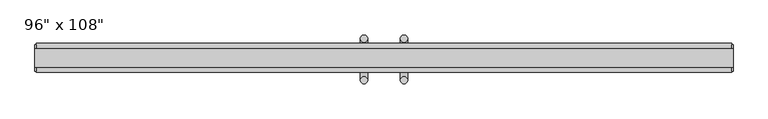
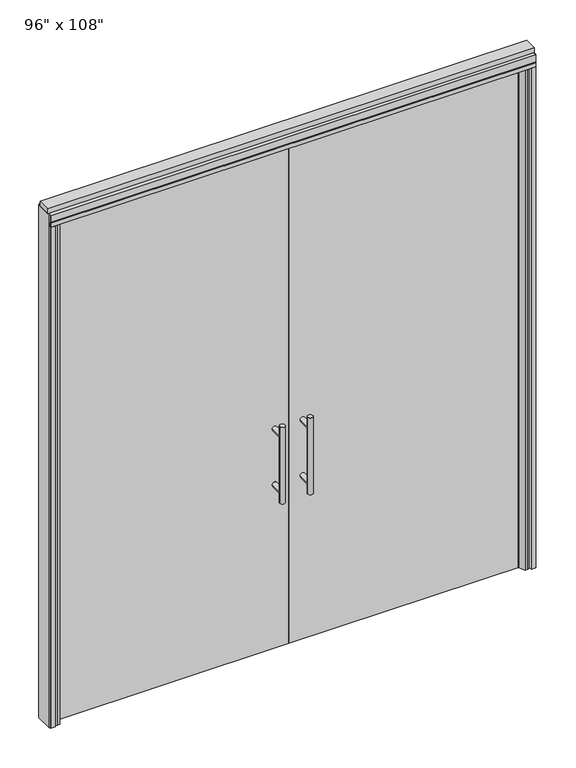
"""IFC4 building model written with IfcOpenShell, lengths in millimetres: furniture geometry."""

from ifc_helpers import new_model, si_unit, point, frame, frame_2d, origin, origin_with_axes, place, context, project, spatial, polyline, circle_curve, ellipse_curve, trimmed, segment, composite_curve, outline, extrude, source, transform, mapped, element, save
from ifc_brep_helpers import plane_surface, cylinder_surface, advanced_brep


def furniture_ca6ac8f1(model_context):
    return source(origin(), model_context, "Body", "SolidModel", [
        extrude(outline(polyline([(-1253.0745229, -14.6777216), (-1253.0745229, -4.5177216), (-60.0365229, -4.5177216), (-60.0365229, -14.6777216), (-1253.0745229, -14.6777216)])), origin_with_axes(), (0.0, 0.0, 1.0), 2654.3),
        advanced_brep(
        [(-117.3135229, 63.0462784, 1219.2), (-142.7135229, 63.0462784, 1219.2), (-117.3135229, 63.0462784, 812.8), (-142.7135229, 63.0462784, 812.8), (-117.3135229, 63.0462784, 1164.336), (-117.3135229, 63.0462784, 867.664), (-142.7135229, 63.0462784, 867.664), (-142.7135229, 63.0462784, 1164.336), (-117.3135229, -4.5177216, 1164.336), (-142.7135229, -4.5177216, 1164.336), (-117.3135229, -4.5177216, 867.664), (-142.7135229, -4.5177216, 867.664)],
        [
            (0, 1, circle_curve(frame((-130.0135229, 63.0462784, 1219.2), z_axis=(0.0, 0.0, 1.0), x_axis=(-1.0, 0.0, 0.0)), 12.7)),
            (1, 0, circle_curve(frame((-130.0135229, 63.0462784, 1219.2), z_axis=(0.0, 0.0, 1.0), x_axis=(-1.0, 0.0, 0.0)), 12.7)),
            (2, 3, circle_curve(frame((-130.0135229, 63.0462784, 812.8), z_axis=(0.0, 0.0, -1.0), x_axis=(-1.0, 0.0, 0.0)), 12.7)),
            (3, 2, circle_curve(frame((-130.0135229, 63.0462784, 812.8), z_axis=(0.0, 0.0, -1.0), x_axis=(-1.0, 0.0, 0.0)), 12.7)),
            (0, 4),
            (4, 5),
            (5, 2),
            (3, 6),
            (6, 7),
            (7, 1),
            (7, 4, ellipse_curve(frame((-130.0135229, 63.0462784, 1164.336), z_axis=(0.0, 0.707106781186565, 0.70710678118653), x_axis=(0.0, -0.70710678118653, 0.707106781186565)), 17.9605122, 12.7)),
            (5, 6, ellipse_curve(frame((-130.0135229, 63.0462784, 867.664), z_axis=(0.0, 0.70710678118653, -0.7071067811865649), x_axis=(0.0, 0.7071067811865648, 0.7071067811865301)), 17.9605122, 12.7)),
            (4, 7, ellipse_curve(frame((-130.0135229, 63.0462784, 1164.336), z_axis=(0.0, 0.70710678118653, -0.7071067811865649), x_axis=(0.0, 0.7071067811865648, 0.7071067811865301)), 17.9605122, 12.7)),
            (6, 5, ellipse_curve(frame((-130.0135229, 63.0462784, 867.664), z_axis=(0.0, 0.707106781186565, 0.70710678118653), x_axis=(0.0, -0.70710678118653, 0.707106781186565)), 17.9605122, 12.7)),
            (8, 9, circle_curve(frame((-130.0135229, -4.5177216, 1164.336), z_axis=(0.0, -1.0, 0.0), x_axis=(-1.0, 0.0, 0.0)), 12.7)),
            (9, 8, circle_curve(frame((-130.0135229, -4.5177216, 1164.336), z_axis=(0.0, -1.0, 0.0), x_axis=(-1.0, 0.0, 0.0)), 12.7)),
            (9, 7),
            (4, 8),
            (10, 11, circle_curve(frame((-130.0135229, -4.5177216, 867.664), z_axis=(0.0, -1.0, 0.0), x_axis=(-1.0, 0.0, 0.0)), 12.7)),
            (11, 10, circle_curve(frame((-130.0135229, -4.5177216, 867.664), z_axis=(0.0, -1.0, 0.0), x_axis=(-1.0, 0.0, 0.0)), 12.7)),
            (11, 6),
            (5, 10),
        ],
        [
            plane_surface(frame((-142.7135229, 63.0462784, 1219.2), z_axis=(0.0, 0.0, 1.0), x_axis=(0.0, -1.0, 0.0))),
            plane_surface(frame((-142.7135229, 63.0462784, 812.8), z_axis=(0.0, 0.0, -1.0), x_axis=(0.0, 1.0, 0.0))),
            cylinder_surface(frame((-130.0135229, 63.0462784, 812.8), z_axis=(0.0, 0.0, 1.0), x_axis=(-1.0, 0.0, 0.0)), 12.7),
            plane_surface(frame((-142.7135229, -4.5177216, 1164.336), z_axis=(0.0, -1.0, 0.0), x_axis=(0.0, 0.0, -1.0))),
            cylinder_surface(frame((-130.0135229, -4.5177216, 1164.336), z_axis=(0.0, 1.0, 0.0), x_axis=(-1.0, 0.0, 0.0)), 12.7),
            plane_surface(frame((-142.7135229, -4.5177216, 867.664), z_axis=(0.0, -1.0, 0.0), x_axis=(0.0, 0.0, -1.0))),
            cylinder_surface(frame((-130.0135229, -4.5177216, 867.664), z_axis=(0.0, 1.0, 0.0), x_axis=(-1.0, 0.0, 0.0)), 12.7),
        ],
        [
            (0, [[1, 2]]),
            (1, [[3, 4]]),
            (2, [[-1, 5, 6, 7, -4, 8, 9, 10]]),
            (2, [[-2, -10, 11, -5]]),
            (2, [[-3, -7, 12, -8]]),
            (2, [[13, -9, 14, -6]]),
            (3, [[15, 16]]),
            (4, [[-16, 17, -13, 18]]),
            (4, [[-15, -18, -11, -17]]),
            (5, [[19, 20]]),
            (6, [[-20, 21, -12, 22]]),
            (6, [[-19, -22, -14, -21]]),
        ],
    ),
        advanced_brep(
        [(-117.3135229, -82.2417216, 1219.2), (-142.7135229, -82.2417216, 1219.2), (-117.3135229, -82.2417216, 812.8), (-142.7135229, -82.2417216, 812.8), (-142.7135229, -82.2417216, 1164.336), (-142.7135229, -82.2417216, 867.664), (-117.3135229, -82.2417216, 867.664), (-117.3135229, -82.2417216, 1164.336), (-117.3135229, -14.6777216, 1164.336), (-142.7135229, -14.6777216, 1164.336), (-117.3135229, -14.6777216, 867.664), (-142.7135229, -14.6777216, 867.664)],
        [
            (0, 1, circle_curve(frame((-130.0135229, -82.2417216, 1219.2), z_axis=(0.0, 0.0, 1.0), x_axis=(-1.0, 0.0, 0.0)), 12.7)),
            (1, 0, circle_curve(frame((-130.0135229, -82.2417216, 1219.2), z_axis=(0.0, 0.0, 1.0), x_axis=(-1.0, 0.0, 0.0)), 12.7)),
            (2, 3, circle_curve(frame((-130.0135229, -82.2417216, 812.8), z_axis=(0.0, 0.0, -1.0), x_axis=(-1.0, 0.0, 0.0)), 12.7)),
            (3, 2, circle_curve(frame((-130.0135229, -82.2417216, 812.8), z_axis=(0.0, 0.0, -1.0), x_axis=(-1.0, 0.0, 0.0)), 12.7)),
            (1, 4),
            (4, 5),
            (5, 3),
            (2, 6),
            (6, 7),
            (7, 0),
            (6, 5, ellipse_curve(frame((-130.0135229, -82.2417216, 867.664), z_axis=(0.0, -0.707106781186565, 0.70710678118653), x_axis=(0.0, 0.70710678118653, 0.707106781186565)), 17.9605122, 12.7)),
            (4, 7, ellipse_curve(frame((-130.0135229, -82.2417216, 1164.336), z_axis=(0.0, -0.70710678118653, -0.7071067811865649), x_axis=(0.0, -0.7071067811865648, 0.7071067811865301)), 17.9605122, 12.7)),
            (7, 4, ellipse_curve(frame((-130.0135229, -82.2417216, 1164.336), z_axis=(0.0, -0.707106781186565, 0.70710678118653), x_axis=(0.0, 0.70710678118653, 0.707106781186565)), 17.9605122, 12.7)),
            (5, 6, ellipse_curve(frame((-130.0135229, -82.2417216, 867.664), z_axis=(0.0, -0.70710678118653, -0.7071067811865649), x_axis=(0.0, -0.7071067811865648, 0.7071067811865301)), 17.9605122, 12.7)),
            (8, 9, circle_curve(frame((-130.0135229, -14.6777216, 1164.336), z_axis=(0.0, 1.0, 0.0), x_axis=(-1.0, 0.0, 0.0)), 12.7)),
            (9, 8, circle_curve(frame((-130.0135229, -14.6777216, 1164.336), z_axis=(0.0, 1.0, 0.0), x_axis=(-1.0, 0.0, 0.0)), 12.7)),
            (8, 7),
            (4, 9),
            (10, 11, circle_curve(frame((-130.0135229, -14.6777216, 867.664), z_axis=(0.0, 1.0, 0.0), x_axis=(-1.0, 0.0, 0.0)), 12.7)),
            (11, 10, circle_curve(frame((-130.0135229, -14.6777216, 867.664), z_axis=(0.0, 1.0, 0.0), x_axis=(-1.0, 0.0, 0.0)), 12.7)),
            (10, 6),
            (5, 11),
        ],
        [
            plane_surface(frame((-142.7135229, -82.2417216, 1219.2), z_axis=(0.0, 0.0, 1.0), x_axis=(0.0, 1.0, 0.0))),
            plane_surface(frame((-142.7135229, -82.2417216, 812.8), z_axis=(0.0, 0.0, -1.0), x_axis=(0.0, -1.0, 0.0))),
            cylinder_surface(frame((-130.0135229, -82.2417216, 812.8), z_axis=(0.0, 0.0, 1.0), x_axis=(-1.0, 0.0, 0.0)), 12.7),
            plane_surface(frame((-142.7135229, -14.6777216, 1164.336), z_axis=(0.0, 1.0, 0.0), x_axis=(0.0, 0.0, -1.0))),
            cylinder_surface(frame((-130.0135229, -14.6777216, 1164.336), z_axis=(0.0, -1.0, 0.0), x_axis=(-1.0, 0.0, 0.0)), 12.7),
            plane_surface(frame((-142.7135229, -14.6777216, 867.664), z_axis=(0.0, 1.0, 0.0), x_axis=(0.0, 0.0, -1.0))),
            cylinder_surface(frame((-130.0135229, -14.6777216, 867.664), z_axis=(0.0, -1.0, 0.0), x_axis=(-1.0, 0.0, 0.0)), 12.7),
        ],
        [
            (0, [[1, 2]]),
            (1, [[3, 4]]),
            (2, [[5, 6, 7, -3, 8, 9, 10, -2]]),
            (2, [[-9, 11, -6, 12]]),
            (2, [[-10, 13, -5, -1]]),
            (2, [[-7, 14, -8, -4]]),
            (3, [[15, 16]]),
            (4, [[17, -12, 18, -15]]),
            (4, [[-18, -13, -17, -16]]),
            (5, [[19, 20]]),
            (6, [[21, -14, 22, -19]]),
            (6, [[-22, -11, -21, -20]]),
        ],
    ),
        extrude(outline(polyline([(-1239.7395229, 4.6262784), (-1211.0375229, 4.6262784), (-1211.0375229, -4.5177216), (-1239.7395229, -4.5177216), (-1239.7395229, 4.6262784)])), origin_with_axes(), (0.0, 0.0, 1.0), 2654.3),
        extrude(outline(composite_curve([segment(polyline([(-1211.0375229, -14.6777216), (-1211.0375229, -20.2657216), (-1227.0525186, -47.99736), (-1239.2979561, -47.99736)]), True, "CONTINUOUS"), segment(trimmed(circle_curve(frame_2d((-1235.9565751, -30.8880433)), 17.4325427), [point((-1239.2979561, -47.99736))], [point((-1253.0745229, -34.1849216))], False, "CARTESIAN"), True, "CONTINUOUS"), segment(polyline([(-1253.0745229, -34.1849216), (-1253.0745229, -14.6777216), (-1211.0375229, -14.6777216)]), True, "CONTINUOUS")], self_intersect=False)), origin_with_axes(), (0.0, 0.0, 1.0), 2654.3),
        extrude(outline(polyline([(1133.0014771, -14.6777216), (-60.0365229, -14.6777216), (-60.0365229, -4.5177216), (1133.0014771, -4.5177216), (1133.0014771, -14.6777216)])), origin_with_axes(), (0.0, 0.0, 1.0), 2654.3),
        advanced_brep(
        [(-2.7595229, 63.0462784, 1219.2), (22.6404771, 63.0462784, 1219.2), (-2.7595229, 63.0462784, 812.8), (22.6404771, 63.0462784, 812.8), (22.6404771, 63.0462784, 1164.336), (22.6404771, 63.0462784, 867.664), (-2.7595229, 63.0462784, 867.664), (-2.7595229, 63.0462784, 1164.336), (-2.7595229, -4.5177216, 1164.336), (22.6404771, -4.5177216, 1164.336), (-2.7595229, -4.5177216, 867.664), (22.6404771, -4.5177216, 867.664)],
        [
            (0, 1, circle_curve(frame((9.9404771, 63.0462784, 1219.2), z_axis=(0.0, 0.0, 1.0), x_axis=(1.0, 0.0, 0.0)), 12.7)),
            (1, 0, circle_curve(frame((9.9404771, 63.0462784, 1219.2), z_axis=(0.0, 0.0, 1.0), x_axis=(1.0, 0.0, 0.0)), 12.7)),
            (2, 3, circle_curve(frame((9.9404771, 63.0462784, 812.8), z_axis=(0.0, 0.0, -1.0), x_axis=(1.0, 0.0, 0.0)), 12.7)),
            (3, 2, circle_curve(frame((9.9404771, 63.0462784, 812.8), z_axis=(0.0, 0.0, -1.0), x_axis=(1.0, 0.0, 0.0)), 12.7)),
            (1, 4),
            (4, 5),
            (5, 3),
            (2, 6),
            (6, 7),
            (7, 0),
            (6, 5, ellipse_curve(frame((9.9404771, 63.0462784, 867.664), z_axis=(0.0, 0.707106781186565, 0.70710678118653), x_axis=(0.0, -0.70710678118653, 0.707106781186565)), 17.9605122, 12.7)),
            (4, 7, ellipse_curve(frame((9.9404771, 63.0462784, 1164.336), z_axis=(0.0, 0.70710678118653, -0.7071067811865649), x_axis=(0.0, 0.7071067811865648, 0.7071067811865301)), 17.9605122, 12.7)),
            (7, 4, ellipse_curve(frame((9.9404771, 63.0462784, 1164.336), z_axis=(0.0, 0.707106781186565, 0.70710678118653), x_axis=(0.0, -0.70710678118653, 0.707106781186565)), 17.9605122, 12.7)),
            (5, 6, ellipse_curve(frame((9.9404771, 63.0462784, 867.664), z_axis=(0.0, 0.70710678118653, -0.7071067811865649), x_axis=(0.0, 0.7071067811865648, 0.7071067811865301)), 17.9605122, 12.7)),
            (8, 9, circle_curve(frame((9.9404771, -4.5177216, 1164.336), z_axis=(0.0, -1.0, 0.0), x_axis=(1.0, 0.0, 0.0)), 12.7)),
            (9, 8, circle_curve(frame((9.9404771, -4.5177216, 1164.336), z_axis=(0.0, -1.0, 0.0), x_axis=(1.0, 0.0, 0.0)), 12.7)),
            (8, 7),
            (4, 9),
            (10, 11, circle_curve(frame((9.9404771, -4.5177216, 867.664), z_axis=(0.0, -1.0, 0.0), x_axis=(1.0, 0.0, 0.0)), 12.7)),
            (11, 10, circle_curve(frame((9.9404771, -4.5177216, 867.664), z_axis=(0.0, -1.0, 0.0), x_axis=(1.0, 0.0, 0.0)), 12.7)),
            (10, 6),
            (5, 11),
        ],
        [
            plane_surface(frame((22.6404771, 63.0462784, 1219.2), z_axis=(0.0, 0.0, 1.0), x_axis=(0.0, -1.0, 0.0))),
            plane_surface(frame((22.6404771, 63.0462784, 812.8), z_axis=(0.0, 0.0, -1.0), x_axis=(0.0, 1.0, 0.0))),
            cylinder_surface(frame((9.9404771, 63.0462784, 812.8), z_axis=(0.0, 0.0, 1.0), x_axis=(1.0, 0.0, 0.0)), 12.7),
            plane_surface(frame((22.6404771, -4.5177216, 1164.336), z_axis=(0.0, -1.0, 0.0), x_axis=(0.0, 0.0, -1.0))),
            cylinder_surface(frame((9.9404771, -4.5177216, 1164.336), z_axis=(0.0, 1.0, 0.0), x_axis=(1.0, 0.0, 0.0)), 12.7),
            plane_surface(frame((22.6404771, -4.5177216, 867.664), z_axis=(0.0, -1.0, 0.0), x_axis=(0.0, 0.0, -1.0))),
            cylinder_surface(frame((9.9404771, -4.5177216, 867.664), z_axis=(0.0, 1.0, 0.0), x_axis=(1.0, 0.0, 0.0)), 12.7),
        ],
        [
            (0, [[1, 2]]),
            (1, [[3, 4]]),
            (2, [[5, 6, 7, -3, 8, 9, 10, -2]]),
            (2, [[-9, 11, -6, 12]]),
            (2, [[-10, 13, -5, -1]]),
            (2, [[-7, 14, -8, -4]]),
            (3, [[15, 16]]),
            (4, [[17, -12, 18, -15]]),
            (4, [[-18, -13, -17, -16]]),
            (5, [[19, 20]]),
            (6, [[21, -14, 22, -19]]),
            (6, [[-22, -11, -21, -20]]),
        ],
    ),
        advanced_brep(
        [(-2.7595229, -82.2417216, 1219.2), (22.6404771, -82.2417216, 1219.2), (-2.7595229, -82.2417216, 812.8), (22.6404771, -82.2417216, 812.8), (-2.7595229, -82.2417216, 1164.336), (-2.7595229, -82.2417216, 867.664), (22.6404771, -82.2417216, 867.664), (22.6404771, -82.2417216, 1164.336), (-2.7595229, -14.6777216, 1164.336), (22.6404771, -14.6777216, 1164.336), (-2.7595229, -14.6777216, 867.664), (22.6404771, -14.6777216, 867.664)],
        [
            (0, 1, circle_curve(frame((9.9404771, -82.2417216, 1219.2), z_axis=(0.0, 0.0, 1.0), x_axis=(1.0, 0.0, 0.0)), 12.7)),
            (1, 0, circle_curve(frame((9.9404771, -82.2417216, 1219.2), z_axis=(0.0, 0.0, 1.0), x_axis=(1.0, 0.0, 0.0)), 12.7)),
            (2, 3, circle_curve(frame((9.9404771, -82.2417216, 812.8), z_axis=(0.0, 0.0, -1.0), x_axis=(1.0, 0.0, 0.0)), 12.7)),
            (3, 2, circle_curve(frame((9.9404771, -82.2417216, 812.8), z_axis=(0.0, 0.0, -1.0), x_axis=(1.0, 0.0, 0.0)), 12.7)),
            (0, 4),
            (4, 5),
            (5, 2),
            (3, 6),
            (6, 7),
            (7, 1),
            (7, 4, ellipse_curve(frame((9.9404771, -82.2417216, 1164.336), z_axis=(0.0, -0.707106781186565, 0.70710678118653), x_axis=(0.0, 0.70710678118653, 0.707106781186565)), 17.9605122, 12.7)),
            (5, 6, ellipse_curve(frame((9.9404771, -82.2417216, 867.664), z_axis=(0.0, -0.70710678118653, -0.7071067811865649), x_axis=(0.0, -0.7071067811865648, 0.7071067811865301)), 17.9605122, 12.7)),
            (4, 7, ellipse_curve(frame((9.9404771, -82.2417216, 1164.336), z_axis=(0.0, -0.70710678118653, -0.7071067811865649), x_axis=(0.0, -0.7071067811865648, 0.7071067811865301)), 17.9605122, 12.7)),
            (6, 5, ellipse_curve(frame((9.9404771, -82.2417216, 867.664), z_axis=(0.0, -0.707106781186565, 0.70710678118653), x_axis=(0.0, 0.70710678118653, 0.707106781186565)), 17.9605122, 12.7)),
            (8, 9, circle_curve(frame((9.9404771, -14.6777216, 1164.336), z_axis=(0.0, 1.0, 0.0), x_axis=(1.0, 0.0, 0.0)), 12.7)),
            (9, 8, circle_curve(frame((9.9404771, -14.6777216, 1164.336), z_axis=(0.0, 1.0, 0.0), x_axis=(1.0, 0.0, 0.0)), 12.7)),
            (9, 7),
            (4, 8),
            (10, 11, circle_curve(frame((9.9404771, -14.6777216, 867.664), z_axis=(0.0, 1.0, 0.0), x_axis=(1.0, 0.0, 0.0)), 12.7)),
            (11, 10, circle_curve(frame((9.9404771, -14.6777216, 867.664), z_axis=(0.0, 1.0, 0.0), x_axis=(1.0, 0.0, 0.0)), 12.7)),
            (11, 6),
            (5, 10),
        ],
        [
            plane_surface(frame((22.6404771, -82.2417216, 1219.2), z_axis=(0.0, 0.0, 1.0), x_axis=(0.0, 1.0, 0.0))),
            plane_surface(frame((22.6404771, -82.2417216, 812.8), z_axis=(0.0, 0.0, -1.0), x_axis=(0.0, -1.0, 0.0))),
            cylinder_surface(frame((9.9404771, -82.2417216, 812.8), z_axis=(0.0, 0.0, 1.0), x_axis=(1.0, 0.0, 0.0)), 12.7),
            plane_surface(frame((22.6404771, -14.6777216, 1164.336), z_axis=(0.0, 1.0, 0.0), x_axis=(0.0, 0.0, -1.0))),
            cylinder_surface(frame((9.9404771, -14.6777216, 1164.336), z_axis=(0.0, -1.0, 0.0), x_axis=(1.0, 0.0, 0.0)), 12.7),
            plane_surface(frame((22.6404771, -14.6777216, 867.664), z_axis=(0.0, 1.0, 0.0), x_axis=(0.0, 0.0, -1.0))),
            cylinder_surface(frame((9.9404771, -14.6777216, 867.664), z_axis=(0.0, -1.0, 0.0), x_axis=(1.0, 0.0, 0.0)), 12.7),
        ],
        [
            (0, [[1, 2]]),
            (1, [[3, 4]]),
            (2, [[-1, 5, 6, 7, -4, 8, 9, 10]]),
            (2, [[-2, -10, 11, -5]]),
            (2, [[-3, -7, 12, -8]]),
            (2, [[13, -9, 14, -6]]),
            (3, [[15, 16]]),
            (4, [[-16, 17, -13, 18]]),
            (4, [[-15, -18, -11, -17]]),
            (5, [[19, 20]]),
            (6, [[-20, 21, -12, 22]]),
            (6, [[-19, -22, -14, -21]]),
        ],
    ),
        extrude(outline(polyline([(1119.6664771, 4.6262784), (1119.6664771, -4.5177216), (1090.9644771, -4.5177216), (1090.9644771, 4.6262784), (1119.6664771, 4.6262784)])), origin_with_axes(), (0.0, 0.0, 1.0), 2654.3),
        extrude(outline(composite_curve([segment(polyline([(1090.9644771, -14.6777216), (1133.0014771, -14.6777216), (1133.0014771, -34.1849216)]), True, "CONTINUOUS"), segment(trimmed(circle_curve(frame_2d((1115.8835293, -30.8880433)), 17.4325427), [point((1133.0014771, -34.1849216))], [point((1119.2249103, -47.99736))], False, "CARTESIAN"), True, "CONTINUOUS"), segment(polyline([(1119.2249103, -47.99736), (1106.9794728, -47.99736), (1090.9644771, -20.2657216), (1090.9644771, -14.6777216)]), True, "CONTINUOUS")], self_intersect=False)), origin_with_axes(), (0.0, 0.0, 1.0), 2654.3),
        extrude(outline(polyline([(-1275.2995229, -55.3177216), (-1275.2995229, 46.2822784), (1155.2264771, 46.2822784), (1155.2264771, -55.3177216), (-1275.2995229, -55.3177216)])), frame((0.0, 0.0, 2654.3), z_axis=(0.0, 0.0, 1.0), x_axis=(1.0, 0.0, 0.0)), (0.0, 0.0, 1.0), 22.225),
        extrude(outline(polyline([(1159.1634771, -50.3647216), (1155.2264771, -50.3647216), (1155.2264771, 41.3292784), (1159.1634771, 41.3292784), (1159.1634771, -50.3647216)])), origin_with_axes(), (0.0, 0.0, 1.0), 2717.8),
        extrude(outline(polyline([(-1279.2365229, -50.3647216), (-1279.2365229, 41.3292784), (-1275.2995229, 41.3292784), (-1275.2995229, -50.3647216), (-1279.2365229, -50.3647216)])), origin_with_axes(), (0.0, 0.0, 1.0), 2717.8),
        extrude(outline(polyline([(1155.2264771, 46.2822784), (1155.2264771, -55.3177216), (1133.0014771, -55.3177216), (1133.0014771, -4.5177216), (1120.3014771, -4.5177216), (1120.3014771, 20.8822784), (1133.0014771, 20.8822784), (1133.0014771, 46.2822784), (1155.2264771, 46.2822784)])), origin_with_axes(), (0.0, 0.0, 1.0), 2654.3),
        extrude(outline(polyline([(-1275.2995229, 46.2822784), (-1253.0745229, 46.2822784), (-1253.0745229, 20.8822784), (-1240.3745229, 20.8822784), (-1240.3745229, -4.5177216), (-1253.0745229, -4.5177216), (-1253.0745229, -55.3177216), (-1275.2995229, -55.3177216), (-1275.2995229, 46.2822784)])), origin_with_axes(), (0.0, 0.0, 1.0), 2654.3),
        extrude(outline(polyline([(-55.3177216, 2681.478), (-55.3177216, 2717.8), (46.2822784, 2717.8), (46.2822784, 2681.478), (41.3292784, 2681.478), (41.3292784, 2676.525), (-50.3647216, 2676.525), (-50.3647216, 2681.478), (-55.3177216, 2681.478)])), frame((-1275.2995229, 0.0, 0.0), z_axis=(1.0, 0.0, 0.0), x_axis=(0.0, 1.0, 0.0)), (0.0, 0.0, 1.0), 2430.526),
        extrude(outline(polyline([(-1279.2365229, -37.0297216), (-1279.2365229, 27.9942784), (1159.1634771, 27.9942784), (1159.1634771, -37.0297216), (-1279.2365229, -37.0297216)])), frame((0.0, 0.0, 2717.8), z_axis=(0.0, 0.0, 1.0), x_axis=(1.0, 0.0, 0.0)), (0.0, 0.0, 1.0), 25.4),
    ])


if __name__ == "__main__":
    model = new_model("IFC4")
    model_context = context("Model", 3, world=origin())
    ifc_project = project(units=[si_unit("LENGTHUNIT", "METRE", prefix="MILLI")], contexts=[model_context])
    site = spatial("IfcSite", under=ifc_project)
    building = spatial("IfcBuilding", under=site)
    placement = place(None, origin())
    furniture_shape = furniture_ca6ac8f1(model_context)
    element("IfcFurniture", 1, ObjectType="96\" x 108\"", at=placement, inside=building, context=model_context, shape_type="MappedRepresentation", body=[
        mapped(furniture_shape, transform((0.0, 0.0, 0.0), x_axis=(1.0, 0.0, 0.0), y_axis=(0.0, 1.0, 0.0), z_axis=(0.0, 0.0, 1.0))),
    ])
    save(model, "model.ifc")
